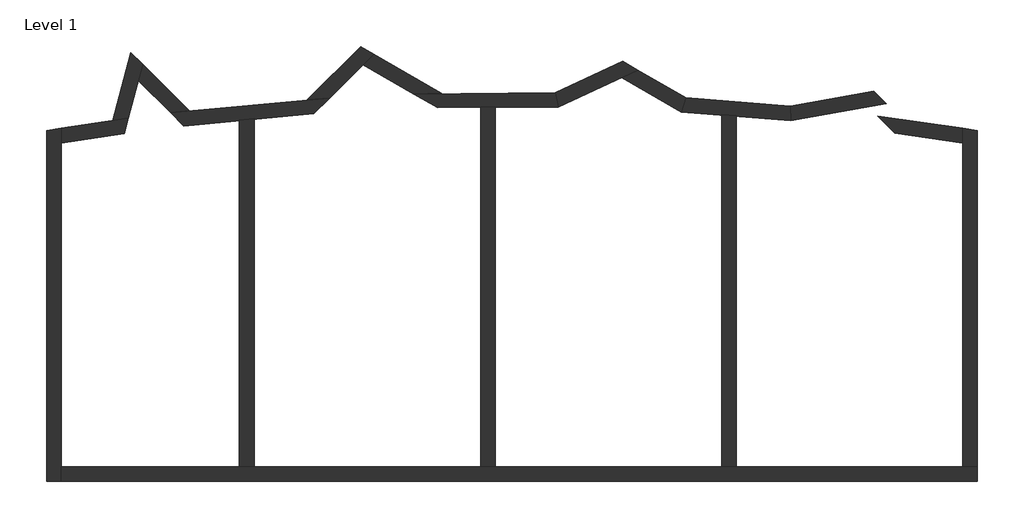
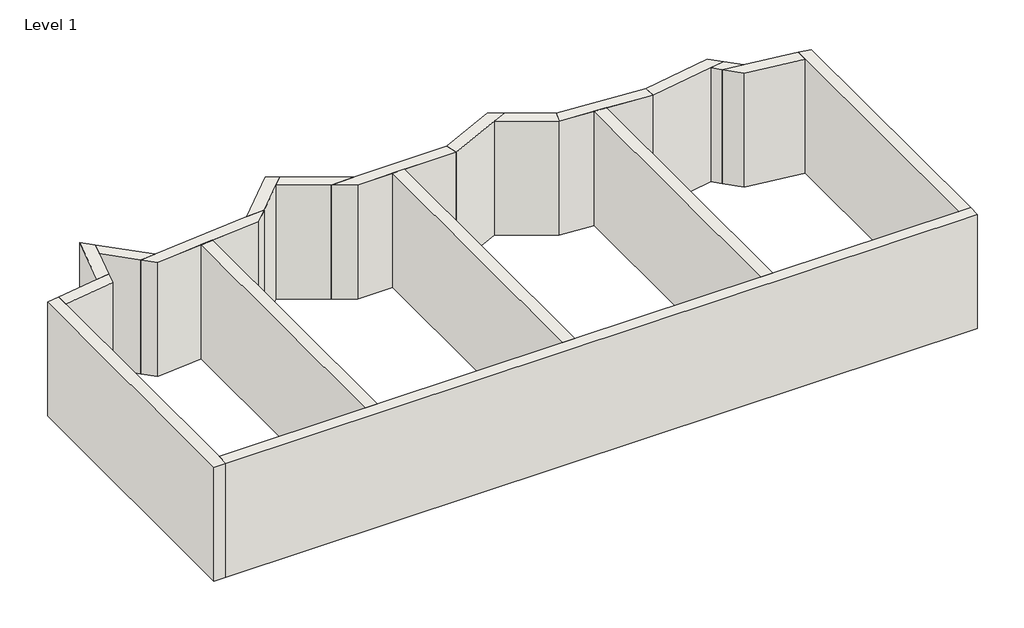
# One storey: 19 walls.
"""IFC4 building model written with IfcOpenShell, lengths in millimetres."""

from ifc_helpers import new_model, si_unit, point, frame, frame_2d, origin, origin_with_axes, place, context, project, spatial, polyline, circle_curve, trimmed, segment, composite_curve, outline, extrude, faceted_brep, element, save
from ifc_brep_helpers import plane_surface, cylinder_surface, revolved_surface, advanced_brep

model = new_model("IFC4")

# Units and contexts
model_context = context("Model", 3, world=origin())
ifc_project = project(units=[si_unit("LENGTHUNIT", "METRE", prefix="MILLI")], contexts=[model_context])

# Site, building, storey
site = spatial("IfcSite", under=ifc_project)
building = spatial("IfcBuilding", under=site)
storey = spatial("IfcBuildingStorey", under=building, Name="Level 1", Elevation=0.0)

# Walls
placement = place(None, origin())
element("IfcWall", 1, ObjectType="Generic - 8\"", at=placement, inside=storey, context=model_context, shape_type="AdvancedBrep", body=[
    advanced_brep(
    [(-1547.3433476, -1658.8437591, 0.0), (-1547.3433476, -1355.6437591, 0.0), (-1547.3433476, 5363.8920543, 0.0), (-1547.3433476, 5671.0275141, 0.0), (-1547.3433476, 5671.0275141, 3048.0), (-1547.3433476, 5363.8920543, 3048.0), (-1547.3433476, -1355.6437591, 3048.0), (-1547.3433476, -1658.8437591, 3048.0), (-1850.5433476, -1658.8437591, 0.0), (-1850.5433476, -1658.8437591, 3048.0), (-1850.5433476, 5621.3338131, 3048.0), (-1850.5433476, 5621.3338131, 0.0)],
    [
        (0, 1),
        (1, 2),
        (2, 3),
        (3, 4),
        (4, 5),
        (5, 6),
        (6, 7),
        (7, 0),
        (8, 9),
        (9, 10),
        (10, 11),
        (11, 8),
        (0, 8),
        (11, 3, circle_curve(frame((7801.0566524, -52316.9000099, 0.0), z_axis=(0.0, 0.0, -1.0), x_axis=(1.0, 0.0, 0.0)), 58736.6352551)),
        (4, 10, circle_curve(frame((7801.0566524, -52316.9000099, 3048.0), z_axis=(0.0, 0.0, 1.0), x_axis=(1.0, 0.0, 0.0)), 58736.6352551)),
        (9, 7),
    ],
    [
        plane_surface(frame((-1547.3433476, 4492.7562409, 0.0), z_axis=(1.0, 0.0, 0.0), x_axis=(0.0, 1.0, 0.0))),
        plane_surface(frame((-1850.5433476, 4492.7562409, 0.0), z_axis=(-1.0, 0.0, 0.0), x_axis=(0.0, -1.0, 0.0))),
        plane_surface(frame((-1547.3433476, -1507.2437591, 0.0), z_axis=(0.0, 0.0, -1.0), x_axis=(-1.0, 0.0, 0.0))),
        plane_surface(frame((-1547.3433476, 5492.7562409, 3048.0), z_axis=(0.0, 0.0, 1.0), x_axis=(-1.0, 0.0, 0.0))),
        plane_surface(frame((16301.0566524, -1658.8437591, 0.0), z_axis=(0.0, -1.0, 0.0), x_axis=(1.0, 0.0, 0.0))),
        cylinder_surface(frame((7801.0566524, -52316.9000099, 0.0), z_axis=(0.0, 0.0, 1.0), x_axis=(1.0, 0.0, 0.0)), 58736.6352551),
    ],
    [
        (0, [[1, 2, 3, 4, 5, 6, 7, 8]]),
        (1, [[9, 10, 11, 12]]),
        (2, [[-3, -2, -1, 13, -12, 14]]),
        (3, [[-7, -6, -5, 15, -10, 16]]),
        (4, [[-8, -16, -9, -13]]),
        (5, [[-4, -14, -11, -15]]),
    ],
),
])
element("IfcWall", 2, ObjectType="Generic - 8\"", at=placement, inside=storey, context=model_context, shape_type="Brep", body=[
    faceted_brep([(17452.6566524, -1355.6437591, 0.0), (17149.4566524, -1355.6437591, 0.0), (12452.6566524, -1355.6437591, 0.0), (12149.4566524, -1355.6437591, 0.0), (7452.6566524, -1355.6437591, 0.0), (7149.4566524, -1355.6437591, 0.0), (2452.6566524, -1355.6437591, 0.0), (2149.4566524, -1355.6437591, 0.0), (-1547.3433476, -1355.6437591, 0.0), (-1547.3433476, -1355.6437591, 3048.0), (2149.4566524, -1355.6437591, 3048.0), (2452.6566524, -1355.6437591, 3048.0), (7149.4566524, -1355.6437591, 3048.0), (7452.6566524, -1355.6437591, 3048.0), (12149.4566524, -1355.6437591, 3048.0), (12452.6566524, -1355.6437591, 3048.0), (17149.4566524, -1355.6437591, 3048.0), (17452.6566524, -1355.6437591, 3048.0), (17452.6566524, -1658.8437591, 0.0), (17452.6566524, -1658.8437591, 3048.0), (-1547.3433476, -1658.8437591, 3048.0), (-1547.3433476, -1658.8437591, 0.0)], [[[0, 1, 2, 3, 4, 5, 6, 7, 8, 9, 10, 11, 12, 13, 14, 15, 16, 17]], [[18, 19, 20, 21]], [[8, 7, 6, 5, 4, 3, 2, 1, 0, 18, 21]], [[17, 16, 15, 14, 13, 12, 11, 10, 9, 20, 19]], [[0, 17, 19, 18]], [[9, 8, 21, 20]]]),
])
element("IfcWall", 3, ObjectType="Generic - 8\"", at=placement, inside=storey, context=model_context, shape_type="AdvancedBrep", body=[
    advanced_brep(
    [(17149.4566524, 5671.0275141, 0.0), (17149.4566524, 5363.8920543, 0.0), (17149.4566524, -1355.6437591, 0.0), (17149.4566524, -1355.6437591, 3048.0), (17149.4566524, 5363.8920543, 3048.0), (17149.4566524, 5671.0275141, 3048.0), (17452.6566524, 5621.3338131, 0.0), (17452.6566524, 5621.3338131, 3048.0), (17452.6566524, -1355.6437591, 3048.0), (17452.6566524, -1355.6437591, 0.0)],
    [
        (0, 1),
        (1, 2),
        (2, 3),
        (3, 4),
        (4, 5),
        (5, 0),
        (6, 7),
        (7, 8),
        (8, 9),
        (9, 6),
        (0, 6, circle_curve(frame((7801.0566524, -52316.9000099, 0.0), z_axis=(0.0, 0.0, -1.0), x_axis=(1.0, 0.0, 0.0)), 58736.6352551)),
        (9, 2),
        (3, 8),
        (7, 5, circle_curve(frame((7801.0566524, -52316.9000099, 3048.0), z_axis=(0.0, 0.0, 1.0), x_axis=(1.0, 0.0, 0.0)), 58736.6352551)),
    ],
    [
        plane_surface(frame((17149.4566524, 5492.7562409, 0.0), z_axis=(-1.0, 0.0, 0.0), x_axis=(0.0, -1.0, 0.0))),
        plane_surface(frame((17452.6566524, 5492.7562409, 0.0), z_axis=(1.0, 0.0, 0.0), x_axis=(0.0, 1.0, 0.0))),
        plane_surface(frame((17149.4566524, 5492.7562409, 0.0), z_axis=(0.0, 0.0, -1.0), x_axis=(1.0, 0.0, 0.0))),
        plane_surface(frame((17149.4566524, -1507.2437591, 3048.0), z_axis=(0.0, 0.0, 1.0), x_axis=(1.0, 0.0, 0.0))),
        cylinder_surface(frame((7801.0566524, -52316.9000099, 0.0), z_axis=(0.0, 0.0, 1.0), x_axis=(1.0, 0.0, 0.0)), 58736.6352551),
        plane_surface(frame((16301.0566524, -1355.6437591, 0.0), z_axis=(0.0, -1.0, 0.0), x_axis=(-1.0, 0.0, 0.0))),
    ],
    [
        (0, [[1, 2, 3, 4, 5, 6]]),
        (1, [[7, 8, 9, 10]]),
        (2, [[-2, -1, 11, -10, 12]]),
        (3, [[-5, -4, 13, -8, 14]]),
        (4, [[-6, -14, -7, -11]]),
        (5, [[-3, -12, -9, -13]]),
    ],
),
])
element("IfcWall", 4, ObjectType="Generic - 8\"", at=placement, inside=storey, context=model_context, shape_type="SweptSolid", body=[
    extrude(outline(composite_curve([segment(polyline([(2452.6566524, 5871.2514743), (2452.6566524, -1355.6437591), (2149.4566524, -1355.6437591), (2149.4566524, 5842.585658)]), True, "CONTINUOUS"), segment(trimmed(circle_curve(frame_2d((7801.0566524, -52316.9000099)), 58433.4352551), [point((2149.4566524, 5842.585658))], [point((2452.6566524, 5871.2514743))], False, "CARTESIAN"), True, "CONTINUOUS")], self_intersect=False)), origin_with_axes(), (0.0, 0.0, 1.0), 3048.0),
])
element("IfcWall", 5, ObjectType="Generic - 8\"", at=placement, inside=storey, context=model_context, shape_type="SweptSolid", body=[
    extrude(outline(composite_curve([segment(polyline([(7452.6566524, 6115.4965963), (7452.6566524, -1355.6437591), (7149.4566524, -1355.6437591), (7149.4566524, 6112.9020876)]), True, "CONTINUOUS"), segment(trimmed(circle_curve(frame_2d((7801.0566524, -52316.9000099)), 58433.4352551), [point((7149.4566524, 6112.9020876))], [point((7452.6566524, 6115.4965963))], False, "CARTESIAN"), True, "CONTINUOUS")], self_intersect=False)), origin_with_axes(), (0.0, 0.0, 1.0), 3048.0),
])
element("IfcWall", 6, ObjectType="Generic - 8\"", at=placement, inside=storey, context=model_context, shape_type="SweptSolid", body=[
    extrude(outline(composite_curve([segment(polyline([(12452.6566524, 5931.0954333), (12452.6566524, -1355.6437591), (12149.4566524, -1355.6437591), (12149.4566524, 5954.5147073)]), True, "CONTINUOUS"), segment(trimmed(circle_curve(frame_2d((7801.0566524, -52316.9000099)), 58433.4352551), [point((12149.4566524, 5954.5147073))], [point((12452.6566524, 5931.0954333))], False, "CARTESIAN"), True, "CONTINUOUS")], self_intersect=False)), origin_with_axes(), (0.0, 0.0, 1.0), 3048.0),
])
element("IfcWall", 7, ObjectType="Generic - 8\"", at=placement, inside=storey, context=model_context, shape_type="AdvancedBrep", body=[
    advanced_brep(
    [(-155.9239141, 5878.2783243, 3048.0), (-482.0224385, 5832.7596474, 3048.0), (-1547.3433476, 5671.0275141, 3048.0), (-1547.3433476, 5363.8920543, 3048.0), (-241.0793687, 5560.4738414, 3048.0), (-155.9239141, 5878.2783243, 0.0), (-241.0793687, 5560.4738414, 0.0), (-1547.3433476, 5363.8920543, 0.0), (-1547.3433476, 5671.0275141, 0.0), (-482.0224385, 5832.7596474, 0.0)],
    [
        (0, 1, circle_curve(frame((7801.0566524, -52316.9000099, 3048.0), z_axis=(0.0, 0.0, 1.0), x_axis=(1.0, 0.0, 0.0)), 58736.6352551)),
        (1, 2, circle_curve(frame((7801.0566524, -52316.9000099, 3048.0), z_axis=(0.0, 0.0, 1.0), x_axis=(1.0, 0.0, 0.0)), 58736.6352244)),
        (2, 3),
        (3, 4, circle_curve(frame((7801.0566524, -52316.9000099, 3048.0), z_axis=(0.0, 0.0, -1.0), x_axis=(1.0, 0.0, 0.0)), 58433.4352551)),
        (4, 0),
        (5, 6),
        (6, 7, circle_curve(frame((7801.0566524, -52316.9000099, 0.0), z_axis=(0.0, 0.0, 1.0), x_axis=(1.0, 0.0, 0.0)), 58433.4352551)),
        (7, 8),
        (8, 9, circle_curve(frame((7801.0566524, -52316.9000099, 0.0), z_axis=(0.0, 0.0, -1.0), x_axis=(1.0, 0.0, 0.0)), 58736.6352551)),
        (9, 5, circle_curve(frame((7801.0566524, -52316.9000099, 0.0), z_axis=(0.0, 0.0, -1.0), x_axis=(1.0, 0.0, 0.0)), 58736.6352244)),
        (0, 5),
        (8, 2),
        (3, 7),
        (6, 4),
    ],
    [
        plane_surface(frame((66537.6919075, -52316.9000099, 3048.0), z_axis=(0.0, 0.0, 1.0), x_axis=(0.0, 1.0, 0.0))),
        plane_surface(frame((66537.6919075, -52316.9000099, 0.0), z_axis=(0.0, 0.0, -1.0), x_axis=(0.0, -1.0, 0.0))),
        cylinder_surface(frame((7801.0566524, -52316.9000099, 0.0), z_axis=(0.0, 0.0, 1.0), x_axis=(1.0, 0.0, 0.0)), 58736.6352551),
        revolved_surface(polyline([(66234.49190749999, -52316.9000099, 0.0), (66234.49190749999, -52316.9000099, 3048.0)]), (7801.0566524, -52316.9000099, 0.0), (0.0, 0.0, -1.0)),
        plane_surface(frame((-1547.3433476, 4492.7562409, 0.0), z_axis=(-1.0, 0.0, 0.0), x_axis=(0.0, 1.0, 0.0))),
        plane_surface(frame((-215.0892216, 5657.4703908, 0.0), z_axis=(0.9659258262890681, -0.25881904510252174, 0.0), x_axis=(0.25881904510252174, 0.9659258262890681, 0.0))),
    ],
    [
        (0, [[1, 2, 3, 4, 5]]),
        (1, [[6, 7, 8, 9, 10]]),
        (2, [[-2, -1, 11, -10, -9, 12]]),
        (3, [[-4, 13, -7, 14]]),
        (4, [[-3, -12, -8, -13]]),
        (5, [[-5, -14, -6, -11]]),
    ],
),
])
element("IfcWall", 8, ObjectType="Generic - 8\"", at=placement, inside=storey, context=model_context, shape_type="AdvancedBrep", body=[
    advanced_brep(
    [(-155.9239141, 5878.2783243, 0.0), (53.4151162, 6659.5422217, 0.0), (144.0290106, 6997.7178794, 0.0), (144.0290106, 6997.7178794, 3048.0), (53.4151162, 6659.5422217, 3048.0), (-155.9239141, 5878.2783243, 3048.0), (-482.0160943, 5832.7605821, 0.0), (-482.0160943, 5832.7605821, 3048.0), (-103.5327527, 7245.2796427, 3048.0), (-103.5327527, 7245.2796427, 0.0)],
    [
        (0, 1),
        (1, 2),
        (2, 3),
        (3, 4),
        (4, 5),
        (5, 0),
        (6, 7),
        (7, 8),
        (8, 9),
        (9, 6),
        (0, 6, circle_curve(frame((7801.0566524, -52316.9000099, 0.0), z_axis=(0.0, 0.0, 1.0), x_axis=(1.0, 0.0, 0.0)), 58736.6352551)),
        (9, 2),
        (3, 8),
        (7, 5, circle_curve(frame((7801.0566524, -52316.9000099, 3048.0), z_axis=(0.0, 0.0, -1.0), x_axis=(1.0, 0.0, 0.0)), 58736.6352551)),
    ],
    [
        plane_surface(frame((-215.0892216, 5657.4703908, 0.0), z_axis=(0.9659258262890681, -0.25881904510252174, 0.0), x_axis=(0.25881904510252174, 0.9659258262890681, 0.0))),
        plane_surface(frame((-507.9579321, 5735.9443253, 0.0), z_axis=(-0.9659258262890681, 0.25881904510252174, 0.0), x_axis=(-0.25881904510252174, -0.9659258262890681, 0.0))),
        plane_surface(frame((-215.0892216, 5657.4703908, 0.0), z_axis=(0.0, 0.0, -1.0000000000000002), x_axis=(-0.965925826289068, 0.2588190451025222, 0.0))),
        plane_surface(frame((121.375537, 6913.173965, 3048.0), z_axis=(0.0, 0.0, 1.0000000000000002), x_axis=(-0.965925826289068, 0.2588190451025222, 0.0))),
        plane_surface(frame((82.1385698, 7059.6083202, 0.0), z_axis=(0.7071067811865491, 0.7071067811865459, 0.0), x_axis=(-0.7071067811865459, 0.7071067811865491, 0.0))),
        revolved_surface(polyline([(66537.6919075, -52316.9000099, 3048.0), (66537.6919075, -52316.9000099, 0.0)]), (7801.0566524, -52316.9000099, 0.0), (0.0, 0.0, 1.0)),
    ],
    [
        (0, [[1, 2, 3, 4, 5, 6]]),
        (1, [[7, 8, 9, 10]]),
        (2, [[-2, -1, 11, -10, 12]]),
        (3, [[-5, -4, 13, -8, 14]]),
        (4, [[-3, -12, -9, -13]]),
        (5, [[-6, -14, -7, -11]]),
    ],
),
])
element("IfcWall", 9, ObjectType="Generic - 8\"", at=placement, inside=storey, context=model_context, shape_type="SweptSolid", body=[
    extrude(outline(composite_curve([segment(polyline([(721.4414105, 5991.5159274), (53.4151162, 6659.5422217), (144.0290106, 6997.7178794), (1104.9458885, 6036.8010015)]), True, "CONTINUOUS"), segment(trimmed(circle_curve(frame_2d((7801.0566524, -52316.9000099)), 58736.6352551), [point((1104.9458885, 6036.8010015))], [point((721.4414105, 5991.5159274))], True, "CARTESIAN"), True, "CONTINUOUS")], self_intersect=False)), origin_with_axes(), (0.0, 0.0, 1.0), 3048.0),
])
element("IfcWall", 10, ObjectType="Generic - 8\"", at=placement, inside=storey, context=model_context, shape_type="AdvancedBrep", body=[
    advanced_brep(
    [(4017.7924666, 6297.7673797, 3048.0), (3557.4687585, 6266.2398855, 3048.0), (1104.9562833, 6036.8021349, 3048.0), (721.4414105, 5991.5159274, 3048.0), (994.234434, 5718.7229039, 3048.0), (2149.4579778, 5842.5857702, 3048.0), (2452.6552591, 5871.2513387, 3048.0), (3691.899126, 5971.8740391, 3048.0), (4017.7924666, 6297.7673797, 0.0), (3691.899126, 5971.8740391, 0.0), (2452.6552591, 5871.2513387, 0.0), (2149.4579778, 5842.5857702, 0.0), (994.234434, 5718.7229039, 0.0), (721.4414105, 5991.5159274, 0.0), (1104.9562833, 6036.8021349, 0.0), (3557.4687585, 6266.2398855, 0.0)],
    [
        (0, 1, circle_curve(frame((7801.0566524, -52316.9000099, 3048.0), z_axis=(0.0, 0.0, 1.0), x_axis=(1.0, 0.0, 0.0)), 58736.6352551)),
        (1, 2, circle_curve(frame((7801.0566524, -52316.9000099, 3048.0), z_axis=(0.0, 0.0, 1.0), x_axis=(1.0, 0.0, 0.0)), 58736.6352307)),
        (2, 3, circle_curve(frame((7801.0566524, -52316.9000099, 3048.0), z_axis=(0.0, 0.0, 1.0), x_axis=(1.0, 0.0, 0.0)), 58736.6351961)),
        (3, 4),
        (4, 5, circle_curve(frame((7801.0566524, -52316.9000099, 3048.0), z_axis=(0.0, 0.0, -1.0), x_axis=(1.0, 0.0, 0.0)), 58433.4352551)),
        (5, 6, circle_curve(frame((7801.0566524, -52316.9000099, 3048.0), z_axis=(0.0, 0.0, -1.0), x_axis=(1.0, 0.0, 0.0)), 58433.4352386)),
        (6, 7, circle_curve(frame((7801.0566524, -52316.9000099, 3048.0), z_axis=(0.0, 0.0, -1.0), x_axis=(1.0, 0.0, 0.0)), 58433.4352476)),
        (7, 0),
        (8, 9),
        (9, 10, circle_curve(frame((7801.0566524, -52316.9000099, 0.0), z_axis=(0.0, 0.0, 1.0), x_axis=(1.0, 0.0, 0.0)), 58433.4352551)),
        (10, 11, circle_curve(frame((7801.0566524, -52316.9000099, 0.0), z_axis=(0.0, 0.0, 1.0), x_axis=(1.0, 0.0, 0.0)), 58433.4352476)),
        (11, 12, circle_curve(frame((7801.0566524, -52316.9000099, 0.0), z_axis=(0.0, 0.0, 1.0), x_axis=(1.0, 0.0, 0.0)), 58433.4352386)),
        (12, 13),
        (13, 14, circle_curve(frame((7801.0566524, -52316.9000099, 0.0), z_axis=(0.0, 0.0, -1.0), x_axis=(1.0, 0.0, 0.0)), 58736.6352551)),
        (14, 15, circle_curve(frame((7801.0566524, -52316.9000099, 0.0), z_axis=(0.0, 0.0, -1.0), x_axis=(1.0, 0.0, 0.0)), 58736.6351961)),
        (15, 8, circle_curve(frame((7801.0566524, -52316.9000099, 0.0), z_axis=(0.0, 0.0, -1.0), x_axis=(1.0, 0.0, 0.0)), 58736.6352307)),
        (0, 8),
        (13, 3),
        (4, 12),
        (9, 7),
    ],
    [
        plane_surface(frame((66537.6919075, -52316.9000099, 3048.0), z_axis=(0.0, 0.0, 1.0), x_axis=(0.0, 1.0, 0.0))),
        plane_surface(frame((66537.6919075, -52316.9000099, 0.0), z_axis=(0.0, 0.0, -1.0), x_axis=(0.0, -1.0, 0.0))),
        cylinder_surface(frame((7801.0566524, -52316.9000099, 0.0), z_axis=(0.0, 0.0, 1.0), x_axis=(1.0, 0.0, 0.0)), 58736.6352551),
        revolved_surface(polyline([(66234.49190749999, -52316.9000099, 0.0), (66234.49190749999, -52316.9000099, 3048.0)]), (7801.0566524, -52316.9000099, 0.0), (0.0, 0.0, -1.0)),
        plane_surface(frame((-132.2562063, 6845.2135442, 0.0), z_axis=(-0.7071067811865491, -0.7071067811865459, 0.0), x_axis=(0.7071067811865459, -0.7071067811865491, 0.0))),
        plane_surface(frame((3731.9144015, 6011.8893145, 0.0), z_axis=(0.7071067811865468, -0.7071067811865482, 0.0), x_axis=(0.7071067811865482, 0.7071067811865468, 0.0))),
    ],
    [
        (0, [[1, 2, 3, 4, 5, 6, 7, 8]]),
        (1, [[9, 10, 11, 12, 13, 14, 15, 16]]),
        (2, [[-3, -2, -1, 17, -16, -15, -14, 18]]),
        (3, [[-7, -6, -5, 19, -12, -11, -10, 20]]),
        (4, [[-4, -18, -13, -19]]),
        (5, [[-8, -20, -9, -17]]),
    ],
),
])
element("IfcWall", 11, ObjectType="Generic - 8\"", at=placement, inside=storey, context=model_context, shape_type="AdvancedBrep", body=[
    advanced_brep(
    [(4017.7924666, 6297.7673797, 0.0), (4710.3191244, 6990.2940374, 0.0), (4932.2769293, 7212.2518423, 0.0), (4932.2769293, 7212.2518423, 3048.0), (4710.3191244, 6990.2940374, 3048.0), (4017.7924666, 6297.7673797, 3048.0), (3557.475967, 6266.2404322, 0.0), (3557.475967, 6266.2404322, 3048.0), (4660.4352461, 7369.1997112, 3048.0), (4660.4352461, 7369.1997112, 0.0)],
    [
        (0, 1),
        (1, 2),
        (2, 3),
        (3, 4),
        (4, 5),
        (5, 0),
        (6, 7),
        (7, 8),
        (8, 9),
        (9, 6),
        (0, 6, circle_curve(frame((7801.0566524, -52316.9000099, 0.0), z_axis=(0.0, 0.0, 1.0), x_axis=(1.0, 0.0, 0.0)), 58736.6352551)),
        (9, 2),
        (3, 8),
        (7, 5, circle_curve(frame((7801.0566524, -52316.9000099, 3048.0), z_axis=(0.0, 0.0, -1.0), x_axis=(1.0, 0.0, 0.0)), 58736.6352551)),
    ],
    [
        plane_surface(frame((3731.9144015, 6011.8893145, 0.0), z_axis=(0.7071067811865468, -0.7071067811865482, 0.0), x_axis=(0.7071067811865482, 0.7071067811865468, 0.0))),
        plane_surface(frame((3517.5196254, 6226.2840906, 0.0), z_axis=(-0.7071067811865468, 0.7071067811865482, 0.0), x_axis=(-0.7071067811865482, -0.7071067811865468, 0.0))),
        plane_surface(frame((3731.9144015, 6011.8893145, 0.0), z_axis=(0.0, 0.0, -1.0000000000000002), x_axis=(-0.7071067811865476, 0.7071067811865476, 0.0))),
        plane_surface(frame((4792.5745733, 7072.5494863, 3048.0), z_axis=(0.0, 0.0, 1.0000000000000002), x_axis=(-0.7071067811865467, 0.7071067811865485, 0.0))),
        plane_surface(frame((4761.1771853, 7311.0363256, 0.0), z_axis=(0.5000000000000022, 0.8660254037844374, 0.0), x_axis=(-0.8660254037844374, 0.5000000000000022, 0.0))),
        revolved_surface(polyline([(66537.6919075, -52316.9000099, 3048.0), (66537.6919075, -52316.9000099, 0.0)]), (7801.0566524, -52316.9000099, 0.0), (0.0, 0.0, 1.0)),
    ],
    [
        (0, [[1, 2, 3, 4, 5, 6]]),
        (1, [[7, 8, 9, 10]]),
        (2, [[-2, -1, 11, -10, 12]]),
        (3, [[-5, -4, 13, -8, 14]]),
        (4, [[-3, -12, -9, -13]]),
        (5, [[-6, -14, -7, -11]]),
    ],
),
])
element("IfcWall", 12, ObjectType="Generic - 8\"", at=placement, inside=storey, context=model_context, shape_type="SweptSolid", body=[
    extrude(outline(composite_curve([segment(polyline([(5759.9977254, 6384.2618146), (4710.3191244, 6990.2940374), (4932.2769293, 7212.2518423), (6336.5825392, 6401.4756204)]), True, "CONTINUOUS"), segment(trimmed(circle_curve(frame_2d((7801.0566524, -52316.9000099)), 58736.6352551), [point((6336.5825392, 6401.4756204))], [point((5759.9977254, 6384.2618146))], True, "CARTESIAN"), True, "CONTINUOUS")], self_intersect=False)), origin_with_axes(), (0.0, 0.0, 1.0), 3048.0),
])
element("IfcWall", 13, ObjectType="Generic - 8\"", at=placement, inside=storey, context=model_context, shape_type="AdvancedBrep", body=[
    advanced_brep(
    [(8693.1248102, 6412.9606701, 3048.0), (6336.5864205, 6401.4757094, 3048.0), (5759.9977254, 6384.2618146, 3048.0), (6258.9642745, 6096.1833431, 3048.0), (7149.4550883, 6112.9020664, 3048.0), (7452.6557246, 6115.4965362, 3048.0), (8758.0635575, 6108.6979202, 3048.0), (8693.1248102, 6412.9606701, 0.0), (8758.0635575, 6108.6979202, 0.0), (7452.6557246, 6115.4965362, 0.0), (7149.4550883, 6112.9020664, 0.0), (6258.9642745, 6096.1833431, 0.0), (5759.9977254, 6384.2618146, 0.0), (6336.5864205, 6401.4757094, 0.0)],
    [
        (0, 1, circle_curve(frame((7801.0566524, -52316.9000099, 3048.0), z_axis=(0.0, 0.0, 1.0), x_axis=(1.0, 0.0, 0.0)), 58736.6352551)),
        (1, 2, circle_curve(frame((7801.0566524, -52316.9000099, 3048.0), z_axis=(0.0, 0.0, 1.0), x_axis=(1.0, 0.0, 0.0)), 58736.6352473)),
        (2, 3),
        (3, 4, circle_curve(frame((7801.0566524, -52316.9000099, 3048.0), z_axis=(0.0, 0.0, -1.0), x_axis=(1.0, 0.0, 0.0)), 58433.4352551)),
        (4, 5, circle_curve(frame((7801.0566524, -52316.9000099, 3048.0), z_axis=(0.0, 0.0, -1.0), x_axis=(1.0, 0.0, 0.0)), 58433.4352513)),
        (5, 6, circle_curve(frame((7801.0566524, -52316.9000099, 3048.0), z_axis=(0.0, 0.0, -1.0), x_axis=(1.0, 0.0, 0.0)), 58433.4352005)),
        (6, 0),
        (7, 8),
        (8, 9, circle_curve(frame((7801.0566524, -52316.9000099, 0.0), z_axis=(0.0, 0.0, 1.0), x_axis=(1.0, 0.0, 0.0)), 58433.4352551)),
        (9, 10, circle_curve(frame((7801.0566524, -52316.9000099, 0.0), z_axis=(0.0, 0.0, 1.0), x_axis=(1.0, 0.0, 0.0)), 58433.4352005)),
        (10, 11, circle_curve(frame((7801.0566524, -52316.9000099, 0.0), z_axis=(0.0, 0.0, 1.0), x_axis=(1.0, 0.0, 0.0)), 58433.4352513)),
        (11, 12),
        (12, 13, circle_curve(frame((7801.0566524, -52316.9000099, 0.0), z_axis=(0.0, 0.0, -1.0), x_axis=(1.0, 0.0, 0.0)), 58736.6352551)),
        (13, 7, circle_curve(frame((7801.0566524, -52316.9000099, 0.0), z_axis=(0.0, 0.0, -1.0), x_axis=(1.0, 0.0, 0.0)), 58736.6352473)),
        (0, 7),
        (12, 2),
        (3, 11),
        (8, 6),
    ],
    [
        plane_surface(frame((66537.6919075, -52316.9000099, 3048.0), z_axis=(0.0, 0.0, 1.0), x_axis=(0.0, 1.0, 0.0))),
        plane_surface(frame((66537.6919075, -52316.9000099, 0.0), z_axis=(0.0, 0.0, -1.0), x_axis=(0.0, -1.0, 0.0))),
        cylinder_surface(frame((7801.0566524, -52316.9000099, 0.0), z_axis=(0.0, 0.0, 1.0), x_axis=(1.0, 0.0, 0.0)), 58736.6352551),
        revolved_surface(polyline([(66234.49190749999, -52316.9000099, 0.0), (66234.49190749999, -52316.9000099, 3048.0)]), (7801.0566524, -52316.9000099, 0.0), (0.0, 0.0, -1.0)),
        plane_surface(frame((4609.5771853, 7048.4574231, 0.0), z_axis=(-0.5000000000000022, -0.8660254037844374, 0.0), x_axis=(0.8660254037844374, -0.5000000000000022, 0.0))),
        plane_surface(frame((8758.0635575, 6108.6979202, 0.0), z_axis=(0.9779735758947388, 0.20872873508853051, 0.0), x_axis=(-0.20872873508853051, 0.9779735758947388, 0.0))),
    ],
    [
        (0, [[1, 2, 3, 4, 5, 6, 7]]),
        (1, [[8, 9, 10, 11, 12, 13, 14]]),
        (2, [[-2, -1, 15, -14, -13, 16]]),
        (3, [[-6, -5, -4, 17, -11, -10, -9, 18]]),
        (4, [[-3, -16, -12, -17]]),
        (5, [[-7, -18, -8, -15]]),
    ],
),
])
element("IfcWall", 14, ObjectType="Generic - 8\"", at=placement, inside=storey, context=model_context, shape_type="Brep", body=[
    faceted_brep([(8758.0635575, 6108.6979202, 0.0), (10077.6223506, 6724.0182908, 0.0), (10413.0820775, 6880.4457305, 0.0), (10413.0820775, 6880.4457305, 3048.0), (10077.6223506, 6724.0182908, 3048.0), (8758.0635575, 6108.6979202, 3048.0), (8693.1248102, 6412.9606701, 0.0), (8693.1248102, 6412.9606701, 3048.0), (10092.5324258, 7065.5151581, 3048.0), (10092.5324258, 7065.5151581, 0.0)], [[[0, 1, 2, 3, 4, 5]], [[6, 7, 8, 9]], [[2, 1, 0, 6, 9]], [[5, 4, 3, 8, 7]], [[3, 2, 9, 8]], [[0, 5, 7, 6]]]),
])
element("IfcWall", 15, ObjectType="Generic - 8\"", at=placement, inside=storey, context=model_context, shape_type="SweptSolid", body=[
    extrude(outline(polyline([(11312.7478909, 6010.9182277), (10077.6223506, 6724.0182908), (10413.0820775, 6880.4457305), (11402.4713163, 6309.2215871), (11312.7478909, 6010.9182277)])), origin_with_axes(), (0.0, 0.0, 1.0), 3048.0),
])
element("IfcWall", 16, ObjectType="Generic - 8\"", at=placement, inside=storey, context=model_context, shape_type="AdvancedBrep", body=[
    advanced_brep(
    [(13570.3166152, 6135.7129391, 3048.0), (11402.4713163, 6309.2215871, 3048.0), (11312.7478909, 6010.9182277, 3048.0), (12149.4550717, 5954.5148198, 3048.0), (12452.6567118, 5931.0953895, 3048.0), (13581.9126835, 5829.8802901, 3048.0), (13570.3166152, 6135.7129391, 0.0), (13581.9126835, 5829.8802901, 0.0), (12452.6567118, 5931.0953895, 0.0), (12149.4550717, 5954.5148198, 0.0), (11312.7478909, 6010.9182277, 0.0), (11402.4713163, 6309.2215871, 0.0)],
    [
        (0, 1, circle_curve(frame((7801.0566524, -52316.9000099, 3048.0), z_axis=(0.0, 0.0, 1.0), x_axis=(1.0, 0.0, 0.0)), 58736.6352551)),
        (1, 2),
        (2, 3, circle_curve(frame((7801.0566524, -52316.9000099, 3048.0), z_axis=(0.0, 0.0, -1.0), x_axis=(1.0, 0.0, 0.0)), 58433.4352551)),
        (3, 4, circle_curve(frame((7801.0566524, -52316.9000099, 3048.0), z_axis=(0.0, 0.0, -1.0), x_axis=(1.0, 0.0, 0.0)), 58433.4352496)),
        (4, 5, circle_curve(frame((7801.0566524, -52316.9000099, 3048.0), z_axis=(0.0, 0.0, -1.0), x_axis=(1.0, 0.0, 0.0)), 58433.4352161)),
        (5, 0),
        (6, 7),
        (7, 8, circle_curve(frame((7801.0566524, -52316.9000099, 0.0), z_axis=(0.0, 0.0, 1.0), x_axis=(1.0, 0.0, 0.0)), 58433.4352551)),
        (8, 9, circle_curve(frame((7801.0566524, -52316.9000099, 0.0), z_axis=(0.0, 0.0, 1.0), x_axis=(1.0, 0.0, 0.0)), 58433.4352161)),
        (9, 10, circle_curve(frame((7801.0566524, -52316.9000099, 0.0), z_axis=(0.0, 0.0, 1.0), x_axis=(1.0, 0.0, 0.0)), 58433.4352496)),
        (10, 11),
        (11, 6, circle_curve(frame((7801.0566524, -52316.9000099, 0.0), z_axis=(0.0, 0.0, -1.0), x_axis=(1.0, 0.0, 0.0)), 58736.6352551)),
        (0, 6),
        (11, 1),
        (2, 10),
        (7, 5),
    ],
    [
        plane_surface(frame((66537.6919075, -52316.9000099, 3048.0), z_axis=(0.0, 0.0, 1.0), x_axis=(0.0, 1.0, 0.0))),
        plane_surface(frame((66537.6919075, -52316.9000099, 0.0), z_axis=(0.0, 0.0, -1.0), x_axis=(0.0, -1.0, 0.0))),
        cylinder_surface(frame((7801.0566524, -52316.9000099, 0.0), z_axis=(0.0, 0.0, 1.0), x_axis=(1.0, 0.0, 0.0)), 58736.6352551),
        revolved_surface(polyline([(66234.49190749999, -52316.9000099, 0.0), (66234.49190749999, -52316.9000099, 3048.0)]), (7801.0566524, -52316.9000099, 0.0), (0.0, 0.0, -1.0)),
        plane_surface(frame((11402.4713163, 6309.2215871, 0.0), z_axis=(-0.9576206885709541, 0.2880323190561988, 0.0), x_axis=(-0.2880323190561988, -0.9576206885709541, 0.0))),
        plane_surface(frame((13581.9126835, 5829.8802901, 0.0), z_axis=(0.9992819480417232, 0.037889158316579956, 0.0), x_axis=(-0.037889158316579956, 0.9992819480417232, 0.0))),
    ],
    [
        (0, [[1, 2, 3, 4, 5, 6]]),
        (1, [[7, 8, 9, 10, 11, 12]]),
        (2, [[-1, 13, -12, 14]]),
        (3, [[-5, -4, -3, 15, -10, -9, -8, 16]]),
        (4, [[-2, -14, -11, -15]]),
        (5, [[-6, -16, -7, -13]]),
    ],
),
])
element("IfcWall", 17, ObjectType="Generic - 8\"", at=placement, inside=storey, context=model_context, shape_type="Brep", body=[
    faceted_brep([(13581.9126835, 5829.8802901, 0.0), (15198.9074, 6115.0000863, 0.0), (15563.4230144, 6179.274024, 0.0), (15563.4230144, 6179.274024, 3048.0), (15198.9074, 6115.0000863, 3048.0), (13581.9126835, 5829.8802901, 3048.0), (13570.3166152, 6135.7129391, 0.0), (13570.3166152, 6135.7129391, 3048.0), (15301.6953198, 6441.0017186, 3048.0), (15301.6953198, 6441.0017186, 0.0)], [[[0, 1, 2, 3, 4, 5]], [[6, 7, 8, 9]], [[2, 1, 0, 6, 9]], [[5, 4, 3, 8, 7]], [[3, 2, 9, 8]], [[0, 5, 7, 6]]]),
])
element("IfcWall", 18, ObjectType="Generic - 8\"", at=placement, inside=storey, context=model_context, shape_type="SweptSolid", body=[
    extrude(outline(composite_curve([segment(polyline([(15385.9668847, 5927.9406016), (15198.9074, 6115.0000863), (15563.4230144, 6179.274024), (15881.4223495, 5861.274689)]), True, "CONTINUOUS"), segment(trimmed(circle_curve(frame_2d((7801.0566524, -52316.9000099)), 58736.6352551), [point((15881.4223495, 5861.274689))], [point((15385.9668847, 5927.9406016))], True, "CARTESIAN"), True, "CONTINUOUS")], self_intersect=False)), origin_with_axes(), (0.0, 0.0, 1.0), 3048.0),
])
element("IfcWall", 19, ObjectType="Generic - 8\"", at=placement, inside=storey, context=model_context, shape_type="AdvancedBrep", body=[
    advanced_brep(
    [(17149.4566524, 5671.0275141, 3048.0), (15881.4238989, 5861.2744719, 3048.0), (15385.9668847, 5927.9406016, 3048.0), (15739.0596957, 5574.8477906, 3048.0), (17149.4566524, 5363.8920543, 3048.0), (17149.4566524, 5671.0275141, 0.0), (17149.4566524, 5363.8920543, 0.0), (15739.0596957, 5574.8477906, 0.0), (15385.9668847, 5927.9406016, 0.0), (15881.4238989, 5861.2744719, 0.0)],
    [
        (0, 1, circle_curve(frame((7801.0566524, -52316.9000099, 3048.0), z_axis=(0.0, 0.0, 1.0), x_axis=(1.0, 0.0, 0.0)), 58736.6352551)),
        (1, 2, circle_curve(frame((7801.0566524, -52316.9000099, 3048.0), z_axis=(0.0, 0.0, 1.0), x_axis=(1.0, 0.0, 0.0)), 58736.6352532)),
        (2, 3),
        (3, 4, circle_curve(frame((7801.0566524, -52316.9000099, 3048.0), z_axis=(0.0, 0.0, -1.0), x_axis=(1.0, 0.0, 0.0)), 58433.4352551)),
        (4, 0),
        (5, 6),
        (6, 7, circle_curve(frame((7801.0566524, -52316.9000099, 0.0), z_axis=(0.0, 0.0, 1.0), x_axis=(1.0, 0.0, 0.0)), 58433.4352551)),
        (7, 8),
        (8, 9, circle_curve(frame((7801.0566524, -52316.9000099, 0.0), z_axis=(0.0, 0.0, -1.0), x_axis=(1.0, 0.0, 0.0)), 58736.6352551)),
        (9, 5, circle_curve(frame((7801.0566524, -52316.9000099, 0.0), z_axis=(0.0, 0.0, -1.0), x_axis=(1.0, 0.0, 0.0)), 58736.6352532)),
        (0, 5),
        (8, 2),
        (3, 7),
        (6, 4),
    ],
    [
        plane_surface(frame((66537.6919075, -52316.9000099, 3048.0), z_axis=(0.0, 0.0, 1.0), x_axis=(0.0, 1.0, 0.0))),
        plane_surface(frame((66537.6919075, -52316.9000099, 0.0), z_axis=(0.0, 0.0, -1.0), x_axis=(0.0, -1.0, 0.0))),
        cylinder_surface(frame((7801.0566524, -52316.9000099, 0.0), z_axis=(0.0, 0.0, 1.0), x_axis=(1.0, 0.0, 0.0)), 58736.6352551),
        revolved_surface(polyline([(66234.49190749999, -52316.9000099, 0.0), (66234.49190749999, -52316.9000099, 3048.0)]), (7801.0566524, -52316.9000099, 0.0), (0.0, 0.0, -1.0)),
        plane_surface(frame((17149.4566524, 5492.7562409, 0.0), z_axis=(1.0, 0.0, 0.0), x_axis=(0.0, -1.0, 0.0))),
        plane_surface(frame((15143.1039719, 6170.8035144, 0.0), z_axis=(-0.7071067811865489, -0.7071067811865461, 0.0), x_axis=(0.7071067811865461, -0.7071067811865489, 0.0))),
    ],
    [
        (0, [[1, 2, 3, 4, 5]]),
        (1, [[6, 7, 8, 9, 10]]),
        (2, [[-2, -1, 11, -10, -9, 12]]),
        (3, [[-4, 13, -7, 14]]),
        (4, [[-5, -14, -6, -11]]),
        (5, [[-3, -12, -8, -13]]),
    ],
),
])

save(model, "model.ifc")
